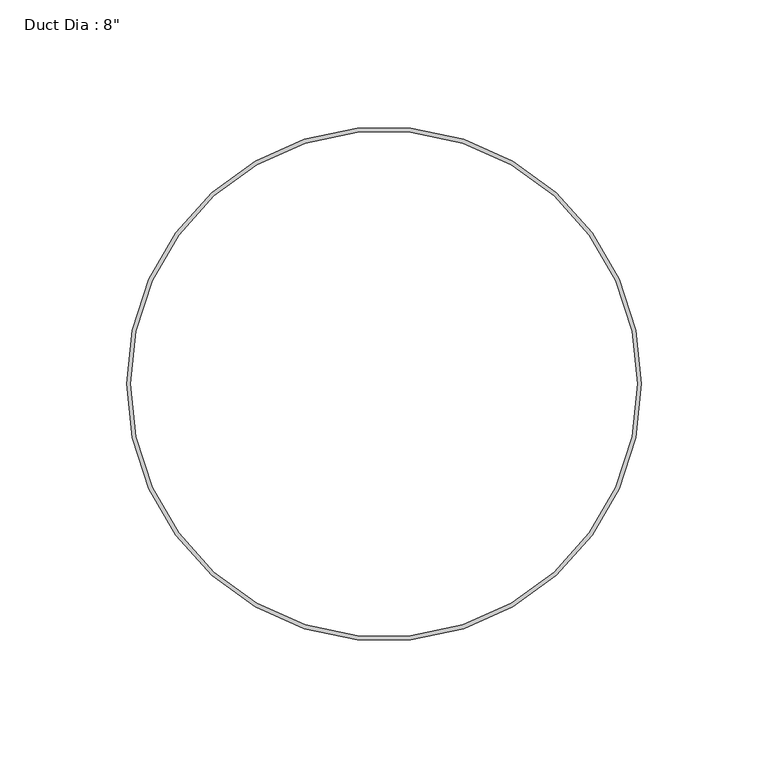
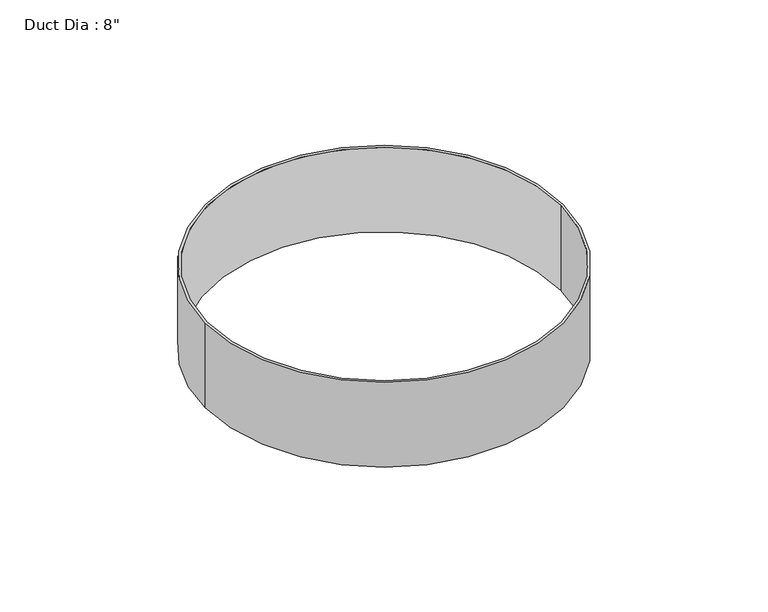
"""IFC4 building model written with IfcOpenShell, lengths in millimetres: proxy geometry."""

from ifc_helpers import new_model, si_unit, point, origin, origin_with_axes, origin_2d, place, context, project, spatial, circle_curve, trimmed, segment, composite_curve, outline, extrude, source, transform, mapped, element, save


def proxy_62be81d0(model_context):
    return source(origin(), model_context, "Body", "SweptSolid", [
        extrude(outline(composite_curve([segment(trimmed(circle_curve(origin_2d(), 101.6), [point((-101.6, 0.0))], [point((101.6, 0.0))], False, "CARTESIAN"), True, "CONTINUOUS"), segment(trimmed(circle_curve(origin_2d(), 101.6), [point((101.6, 0.0))], [point((-101.6, 0.0))], False, "CARTESIAN"), True, "CONTINUOUS")], self_intersect=False), holes=[composite_curve([segment(trimmed(circle_curve(origin_2d(), 100.0125), [point((-100.0125, 0.0))], [point((100.0125, 0.0))], True, "CARTESIAN"), True, "CONTINUOUS"), segment(trimmed(circle_curve(origin_2d(), 100.0125), [point((100.0125, 0.0))], [point((-100.0125, 0.0))], True, "CARTESIAN"), True, "CONTINUOUS")], self_intersect=False)]), origin_with_axes(), (0.0, 0.0, 1.0), 50.8),
    ])


if __name__ == "__main__":
    model = new_model("IFC4")
    model_context = context("Model", 3, world=origin())
    ifc_project = project(units=[si_unit("LENGTHUNIT", "METRE", prefix="MILLI")], contexts=[model_context])
    site = spatial("IfcSite", under=ifc_project)
    building = spatial("IfcBuilding", under=site)
    placement = place(None, origin())
    proxy_shape = proxy_62be81d0(model_context)
    element("IfcBuildingElementProxy", 1, Name="Duct Dia : 8\"", ObjectType="Duct Dia : 8\"", at=placement, inside=building, context=model_context, shape_type="MappedRepresentation", body=[
        mapped(proxy_shape, transform((0.0, 0.0, 0.0), x_axis=(1.0, 0.0, 0.0), y_axis=(0.0, 1.0, 0.0), z_axis=(0.0, 0.0, 1.0))),
    ])
    save(model, "model.ifc")
